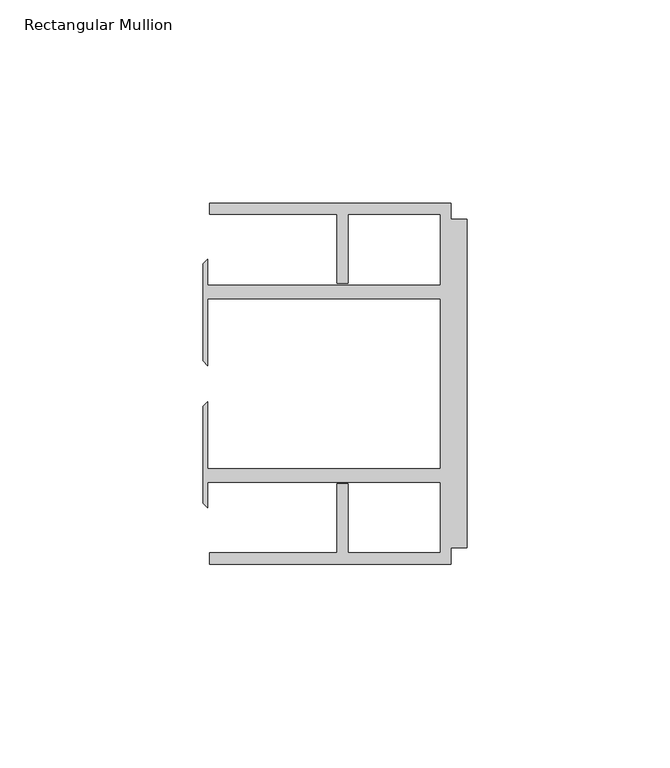
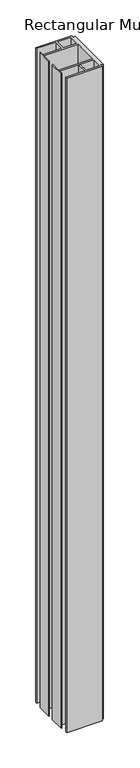
"""IFC4 building model written with IfcOpenShell, lengths in millimetres: member geometry, Rectangular Mullion."""

from ifc_helpers import new_model, si_unit, frame, origin, place, context, project, spatial, polyline, outline, extrude, source, transform, mapped, element, save


def rectangular_mullion_8703ef75(model_context):
    return source(origin(), model_context, "Body", "SweptSolid", [
        extrude(outline(polyline([(-4.0000001, 44.45), (-4.0000001, 40.4500013), (0.0, 40.4500013), (0.0, -40.4500013), (-4.0000001, -40.4500013), (-4.0000001, -44.45), (-63.5, -44.45), (-63.5, -41.6500013), (-32.0000002, -41.6500013), (-32.0000002, -24.6468758), (-29.4000001, -24.6468758), (-29.4000001, -41.6500013), (-6.6000002, -41.6500013), (-6.6000002, -24.2500008), (-63.9424102, -24.2500008), (-63.9424102, -30.6159585), (-65.0875, -29.4708687), (-65.0875, -5.5846059), (-63.9424102, -4.4395161), (-63.9424102, -20.9500007), (-6.6000002, -20.9500007), (-6.6000002, 20.9500007), (-63.9424102, 20.9500007), (-63.9424102, 4.4395161), (-65.0875, 5.5846059), (-65.0875, 29.4708687), (-63.9424102, 30.6159585), (-63.9424102, 24.2500008), (-6.6000002, 24.2500008), (-6.6000002, 41.6500013), (-29.4000001, 41.6500013), (-29.4000001, 24.6468758), (-32.0000002, 24.6468758), (-32.0000002, 41.6500013), (-63.5, 41.6500013), (-63.5, 44.45), (-4.0000001, 44.45)])), frame((0.0, 0.0, -1154.1125), z_axis=(0.0, 0.0, 1.0), x_axis=(1.0, 0.0, 0.0)), (0.0, 0.0, 1.0), 1154.1125),
    ])


if __name__ == "__main__":
    model = new_model("IFC4")
    model_context = context("Model", 3, world=origin())
    ifc_project = project(units=[si_unit("LENGTHUNIT", "METRE", prefix="MILLI")], contexts=[model_context])
    site = spatial("IfcSite", under=ifc_project)
    building = spatial("IfcBuilding", under=site)
    placement = place(None, origin())
    rectangular_mullion_shape = rectangular_mullion_8703ef75(model_context)
    element("IfcMember", 1, ObjectType="Rectangular Mullion", at=placement, inside=building, context=model_context, shape_type="MappedRepresentation", body=[
        mapped(rectangular_mullion_shape, transform((0.0, 0.0, 0.0), x_axis=(1.0, 0.0, 0.0), y_axis=(0.0, 1.0, 0.0), z_axis=(0.0, 0.0, 1.0))),
    ])
    save(model, "model.ifc")
